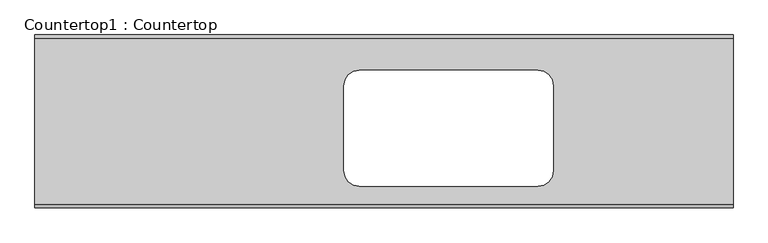
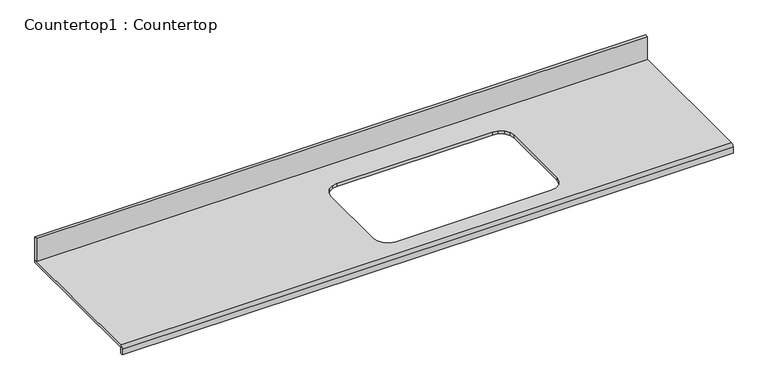
"""IFC4 building model written with IfcOpenShell, lengths in millimetres: proxy geometry, Countertop1 : Countertop."""

from ifc_helpers import new_model, si_unit, frame, origin, place, context, project, spatial, polyline, circle_curve, outline, extrude, source, transform, mapped, element, save
from ifc_brep_helpers import plane_surface, cylinder_surface, advanced_brep


def countertop1_countertop_2262fff8(model_context):
    return source(origin(), model_context, "Body", "SolidModel", [
        extrude(outline(polyline([(2563.8646523, 0.0), (2563.8646523, -12.7), (0.0, -12.7), (0.0, 0.0), (2563.8646523, 0.0)])), frame((0.0, 0.0, 863.6), z_axis=(0.0, 0.0, 1.0), x_axis=(1.0, 0.0, 0.0)), (0.0, 0.0, 1.0), 101.6),
        advanced_brep(
        [(0.0, -622.3, 863.6), (0.0, 0.0, 863.6), (0.0, 0.0, 850.9), (0.0, -622.3, 850.9), (0.0, -622.3, 825.5), (0.0, -635.0, 825.5), (0.0, -635.0, 850.9), (2563.8646523, -622.3, 863.6), (2563.8646523, -635.0, 850.9), (2563.8646523, -635.0, 825.5), (2563.8646523, -622.3, 825.5), (2563.8646523, -622.3, 850.9), (2563.8646523, 0.0, 850.9), (2563.8646523, 0.0, 863.6), (1151.5115769, -146.7254885, 863.6), (1170.0927331, -134.3099484, 863.6), (1191.3852826, -130.0745959, 863.6), (1846.9401253, -130.0745959, 863.6), (1868.2326215, -134.3099489, 863.6), (1886.8138086, -146.7254905, 863.6), (1899.2293008, -165.3066034, 863.6), (1903.4646523, -186.5991761, 863.6), (1903.4646523, -499.2540165, 863.6), (1899.2293012, -520.5465591, 863.6), (1886.8138105, -539.1277271, 863.6), (1868.232618, -551.5432437, 863.6), (1846.9401253, -555.7785959, 863.6), (1191.3852826, -555.7785959, 863.6), (1170.0927366, -551.5432441, 863.6), (1151.5115749, -539.127729, 863.6), (1139.0960279, -520.5465625, 863.6), (1134.8607031, -499.2540124, 863.6), (1134.8607031, -186.5991802, 863.6), (1139.0960284, -165.3066, 863.6), (1170.0927331, -134.3099484, 850.9), (1151.5115769, -146.7254885, 850.9), (1139.0960284, -165.3066, 850.9), (1134.8607031, -186.5991802, 850.9), (1134.8607031, -499.2540124, 850.9), (1139.0960279, -520.5465625, 850.9), (1151.5115749, -539.127729, 850.9), (1170.0927366, -551.5432441, 850.9), (1191.3852826, -555.7785959, 850.9), (1846.9401253, -555.7785959, 850.9), (1868.232618, -551.5432437, 850.9), (1886.8138105, -539.1277271, 850.9), (1899.2293012, -520.5465591, 850.9), (1903.4646523, -499.2540165, 850.9), (1903.4646523, -186.5991761, 850.9), (1899.2293008, -165.3066034, 850.9), (1886.8138086, -146.7254905, 850.9), (1868.2326215, -134.3099489, 850.9), (1846.9401253, -130.0745959, 850.9), (1191.3852826, -130.0745959, 850.9)],
        [
            (0, 1),
            (1, 2),
            (2, 3),
            (3, 4),
            (4, 5),
            (5, 6),
            (6, 0, circle_curve(frame((0.0, -622.3, 850.9), z_axis=(-1.0, 0.0, 0.0), x_axis=(0.0, 1.0, 0.0)), 12.7)),
            (7, 8, circle_curve(frame((2563.8646523, -622.3, 850.9), z_axis=(1.0, 0.0, 0.0), x_axis=(0.0, 1.0, 0.0)), 12.7)),
            (8, 9),
            (9, 10),
            (10, 11),
            (11, 12),
            (12, 13),
            (13, 7),
            (0, 7),
            (13, 1),
            (14, 15),
            (15, 16),
            (16, 17),
            (17, 18),
            (18, 19),
            (19, 20),
            (20, 21),
            (21, 22),
            (22, 23),
            (23, 24),
            (24, 25),
            (25, 26),
            (26, 27),
            (27, 28),
            (28, 29),
            (29, 30),
            (30, 31),
            (31, 32),
            (32, 33),
            (33, 14),
            (12, 2),
            (11, 3),
            (34, 35),
            (35, 36),
            (36, 37),
            (37, 38),
            (38, 39),
            (39, 40),
            (40, 41),
            (41, 42),
            (42, 43),
            (43, 44),
            (44, 45),
            (45, 46),
            (46, 47),
            (47, 48),
            (48, 49),
            (49, 50),
            (50, 51),
            (51, 52),
            (52, 53),
            (53, 34),
            (10, 4),
            (9, 5),
            (8, 6),
            (34, 15),
            (14, 35),
            (33, 36),
            (32, 37),
            (31, 38),
            (30, 39),
            (29, 40),
            (28, 41),
            (27, 42),
            (53, 16),
            (26, 43),
            (25, 44),
            (24, 45),
            (23, 46),
            (22, 47),
            (21, 48),
            (20, 49),
            (19, 50),
            (18, 51),
            (17, 52),
        ],
        [
            plane_surface(frame((0.0, 0.0, 863.6), z_axis=(-1.0, 0.0, 0.0), x_axis=(0.0, 0.0, 1.0))),
            plane_surface(frame((2563.8646523, 0.0, 863.6), z_axis=(1.0, 0.0, 0.0), x_axis=(0.0, 0.0, 1.0))),
            plane_surface(frame((0.0, -622.3, 863.6), z_axis=(0.0, 0.0, 1.0), x_axis=(1.0, 0.0, 0.0))),
            plane_surface(frame((0.0, 0.0, 863.6), z_axis=(0.0, 1.0, 0.0), x_axis=(1.0, 0.0, 0.0))),
            plane_surface(frame((0.0, 0.0, 850.9), z_axis=(0.0, 0.0, -1.0), x_axis=(1.0, 0.0, 0.0))),
            plane_surface(frame((0.0, -622.3, 850.9), z_axis=(0.0, 1.0, 0.0), x_axis=(1.0, 0.0, 0.0))),
            plane_surface(frame((0.0, -622.3, 825.5), z_axis=(0.0, 0.0, -1.0), x_axis=(1.0, 0.0, 0.0))),
            plane_surface(frame((0.0, -635.0, 825.5), z_axis=(0.0, -1.0, 0.0), x_axis=(1.0, 0.0, 0.0))),
            cylinder_surface(frame((0.0, -622.3, 850.9), z_axis=(-1.0, 0.0, 0.0), x_axis=(0.0, 1.0, 0.0)), 12.7),
            plane_surface(frame((1170.0927331, -134.3099484, 928.210099), z_axis=(0.5555704946525724, -0.8314694374849242, 0.0), x_axis=(0.0, 0.0, -1.0))),
            plane_surface(frame((1151.5115769, -146.7254885, 928.210099), z_axis=(0.8314686464171007, -0.5555716785666045, 0.0), x_axis=(0.0, 0.0, -1.0))),
            plane_surface(frame((1139.0960284, -165.3066, 928.210099), z_axis=(0.9807855650249105, -0.1950888911208609, 0.0), x_axis=(0.0, 0.0, -1.0))),
            plane_surface(frame((1134.8607031, -186.5991802, 928.210099), z_axis=(1.0, 0.0, 0.0), x_axis=(0.0, 0.0, -1.0))),
            plane_surface(frame((1134.8607031, -499.2540124, 928.210099), z_axis=(0.9807855162530112, 0.1950891363154654, 0.0), x_axis=(0.0, 0.0, -1.0))),
            plane_surface(frame((1139.0960279, -520.5465625, 928.210099), z_axis=(0.831469437484925, 0.5555704946525712, 0.0), x_axis=(0.0, 0.0, -1.0))),
            plane_surface(frame((1151.5115749, -539.127729, 928.210099), z_axis=(0.5555696087274202, 0.8314700294409061, 0.0), x_axis=(0.0, 0.0, -1.0))),
            plane_surface(frame((1170.0927366, -551.5432441, 928.210099), z_axis=(0.19509036900081778, 0.9807852710573935, 0.0), x_axis=(0.0, 0.0, -1.0))),
            plane_surface(frame((1191.3852826, -130.0745959, 928.210099), z_axis=(0.19509036900082316, -0.9807852710573924, 0.0), x_axis=(0.0, 0.0, -1.0))),
            plane_surface(frame((1191.3852826, -555.7785959, 928.210099), z_axis=(0.0, 1.0, 0.0), x_axis=(0.0, 0.0, -1.0))),
            plane_surface(frame((1846.9401253, -555.7785959, 928.210099), z_axis=(-0.19509085939469806, 0.9807851735118339, 0.0), x_axis=(0.0, 0.0, -1.0))),
            plane_surface(frame((1868.232618, -551.5432437, 928.210099), z_axis=(-0.5555690167719735, 0.8314704249719426, 0.0), x_axis=(0.0, 0.0, -1.0))),
            plane_surface(frame((1886.8138105, -539.1277271, 928.210099), z_axis=(-0.8314706213967956, 0.555568722800363, 0.0), x_axis=(0.0, 0.0, -1.0))),
            plane_surface(frame((1899.2293012, -520.5465591, 928.210099), z_axis=(-0.9807852710574041, 0.1950903690007643, 0.0), x_axis=(0.0, 0.0, -1.0))),
            plane_surface(frame((1903.4646523, -499.2540165, 928.210099), z_axis=(-1.0, 0.0, 0.0), x_axis=(0.0, 0.0, -1.0))),
            plane_surface(frame((1903.4646523, -186.5991761, 928.210099), z_axis=(-0.9807853198298971, -0.19509012380478497, 0.0), x_axis=(0.0, 0.0, -1.0))),
            plane_surface(frame((1899.2293008, -165.3066034, 928.210099), z_axis=(-0.8314698303328858, -0.5555699067139996, 0.0), x_axis=(0.0, 0.0, -1.0))),
            plane_surface(frame((1886.8138086, -146.7254905, 928.210099), z_axis=(-0.5555699026970268, -0.831469833016939, 0.0), x_axis=(0.0, 0.0, -1.0))),
            plane_surface(frame((1868.2326215, -134.3099489, 928.210099), z_axis=(-0.195090859394691, -0.9807851735118354, 0.0), x_axis=(0.0, 0.0, -1.0))),
            plane_surface(frame((1846.9401253, -130.0745959, 928.210099), z_axis=(0.0, -1.0, 0.0), x_axis=(0.0, 0.0, -1.0))),
        ],
        [
            (0, [[1, 2, 3, 4, 5, 6, 7]]),
            (1, [[8, 9, 10, 11, 12, 13, 14]]),
            (2, [[-1, 15, -14, 16], [17, 18, 19, 20, 21, 22, 23, 24, 25, 26, 27, 28, 29, 30, 31, 32, 33, 34, 35, 36]]),
            (3, [[-2, -16, -13, 37]]),
            (4, [[-3, -37, -12, 38], [39, 40, 41, 42, 43, 44, 45, 46, 47, 48, 49, 50, 51, 52, 53, 54, 55, 56, 57, 58]]),
            (5, [[-4, -38, -11, 59]]),
            (6, [[-5, -59, -10, 60]]),
            (7, [[-6, -60, -9, 61]]),
            (8, [[-7, -61, -8, -15]]),
            (9, [[62, -17, 63, -39]]),
            (10, [[-63, -36, 64, -40]]),
            (11, [[-64, -35, 65, -41]]),
            (12, [[-65, -34, 66, -42]]),
            (13, [[-66, -33, 67, -43]]),
            (14, [[-67, -32, 68, -44]]),
            (15, [[-68, -31, 69, -45]]),
            (16, [[-69, -30, 70, -46]]),
            (17, [[-62, -58, 71, -18]]),
            (18, [[-70, -29, 72, -47]]),
            (19, [[-72, -28, 73, -48]]),
            (20, [[-73, -27, 74, -49]]),
            (21, [[-74, -26, 75, -50]]),
            (22, [[-75, -25, 76, -51]]),
            (23, [[-76, -24, 77, -52]]),
            (24, [[-77, -23, 78, -53]]),
            (25, [[-78, -22, 79, -54]]),
            (26, [[-79, -21, 80, -55]]),
            (27, [[-80, -20, 81, -56]]),
            (28, [[-71, -57, -81, -19]]),
        ],
    ),
    ])


if __name__ == "__main__":
    model = new_model("IFC4")
    model_context = context("Model", 3, world=origin())
    ifc_project = project(units=[si_unit("LENGTHUNIT", "METRE", prefix="MILLI")], contexts=[model_context])
    site = spatial("IfcSite", under=ifc_project)
    building = spatial("IfcBuilding", under=site)
    placement = place(None, origin())
    countertop1_countertop_shape = countertop1_countertop_2262fff8(model_context)
    element("IfcBuildingElementProxy", 1, Name="Countertop1 : Countertop", ObjectType="Countertop1 : Countertop", at=placement, inside=building, context=model_context, shape_type="MappedRepresentation", body=[
        mapped(countertop1_countertop_shape, transform((0.0, 0.0, 0.0), x_axis=(1.0, 0.0, 0.0), y_axis=(0.0, 1.0, 0.0), z_axis=(0.0, 0.0, 1.0))),
    ])
    save(model, "model.ifc")
